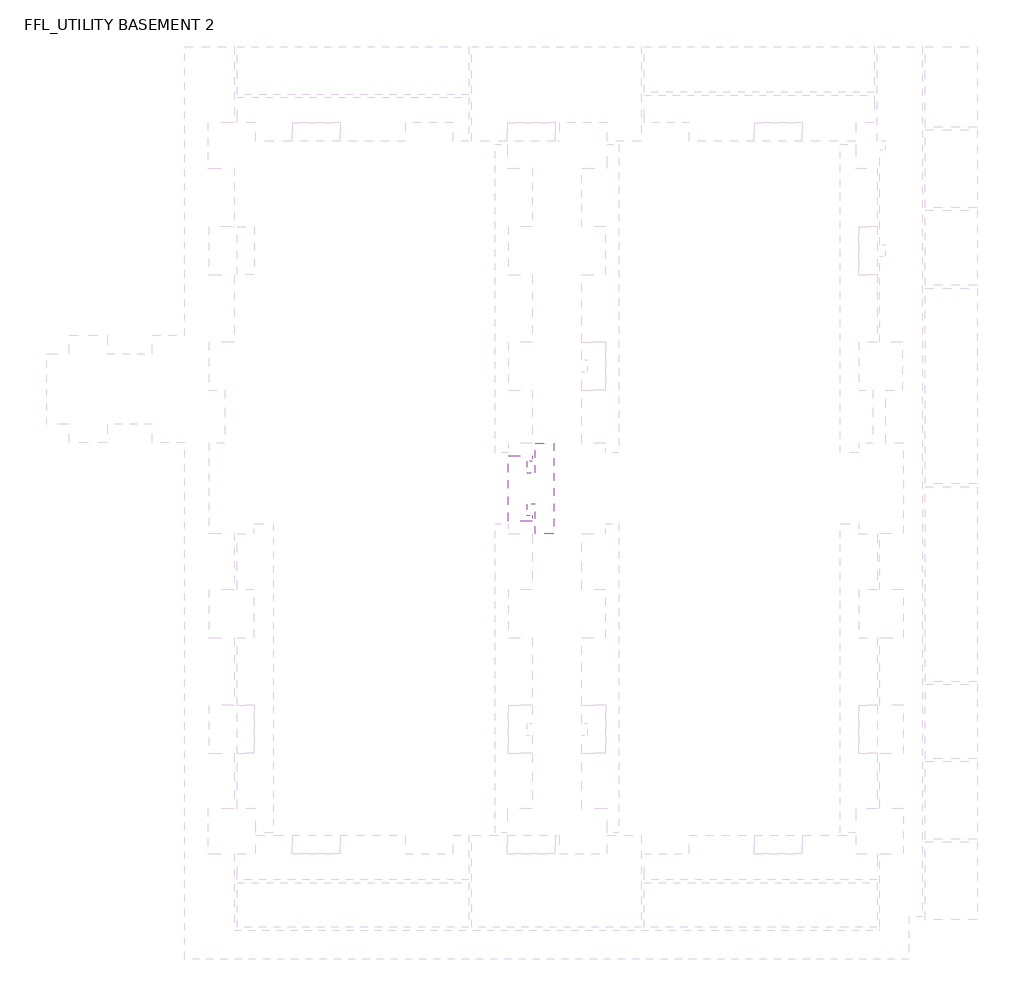
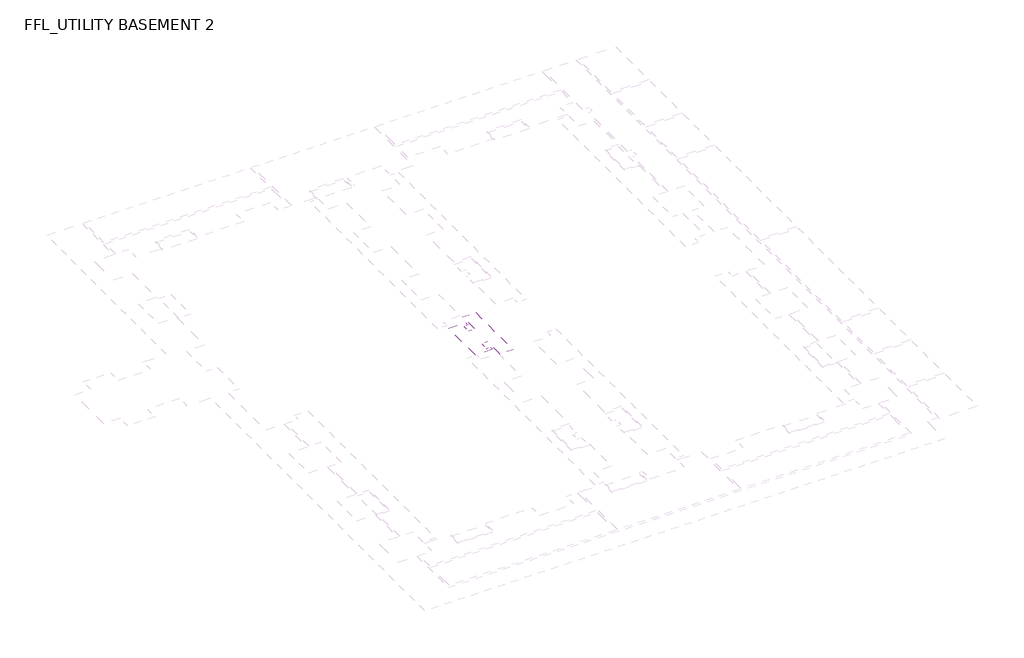
# One storey, part 2 of 3: 1 covering.
"""IFC4 building model written with IfcOpenShell, lengths in millimetres."""

from ifc_helpers import new_model, si_unit, frame, origin, place, context, project, spatial, polyline, outline, extrude, element, save

model = new_model("IFC4")

# Units and contexts
model_context = context("Model", 3, world=origin())
ifc_project = project(units=[si_unit("LENGTHUNIT", "METRE", prefix="MILLI")], contexts=[model_context])

# Site, building, storey
site = spatial("IfcSite", under=ifc_project)
building = spatial("IfcBuilding", under=site)
storey = spatial("IfcBuildingStorey", under=building, Name="FFL_UTILITY BASEMENT 2", Elevation=-10050.0)

# Covering
placement = place(None, origin())
element("IfcCovering", 1, ObjectType="Plaster Paint", at=placement, inside=storey, context=model_context, shape_type="SweptSolid", body=[
    extrude(outline(polyline([(-26305.1920273, -45059.652132), (-25005.1920273, -45059.652132), (-25005.1920273, -45459.652132), (-24505.1920273, -45459.652132), (-24505.1920273, -46759.652132), (-26305.1920273, -46759.652132), (-26305.1920273, -45059.652132)])), frame((0.0, 0.0, -3750.0), z_axis=(0.0, 0.0, 1.0), x_axis=(1.0, 0.0, 0.0)), (0.0, 0.0, 1.0), 20.0),
    extrude(outline(polyline([(-24505.1920273, -50909.652132), (-24505.1920273, -52209.652132), (-24905.1920273, -52209.652132), (-24905.1920273, -53009.652132), (-24505.1920273, -53009.652132), (-24505.1920273, -54309.652132), (-26205.1920273, -54309.652132), (-26205.1920273, -50909.652132), (-24505.1920273, -50909.652132)])), frame((0.0, 0.0, -3750.0), z_axis=(0.0, 0.0, 1.0), x_axis=(1.0, 0.0, 0.0)), (0.0, 0.0, 1.0), 20.0),
    extrude(outline(polyline([(-26205.1920273, -59079.652132), (-24505.1920273, -59079.652132), (-24505.1920273, -60379.652132), (-24905.1920273, -60379.652132), (-24905.1920273, -61179.652132), (-24505.1920273, -61179.652132), (-24505.1920273, -62479.652132), (-26205.1920273, -62479.652132), (-26205.1920273, -59079.652132)])), frame((0.0, 0.0, -3750.0), z_axis=(0.0, 0.0, 1.0), x_axis=(1.0, 0.0, 0.0)), (0.0, 0.0, 1.0), 20.0),
    extrude(outline(polyline([(-26205.1920273, -66229.652132), (-24505.1920273, -66229.652132), (-24505.1920273, -66929.7870746), (-26205.1920273, -66929.7870746), (-26205.1920273, -66229.652132)])), frame((0.0, 0.0, -3750.0), z_axis=(0.0, 0.0, 1.0), x_axis=(1.0, 0.0, 0.0)), (0.0, 0.0, 1.0), 20.0),
    extrude(outline(polyline([(-57305.1920273, -42559.652132), (-57305.1920273, -43859.652132), (-58905.1920273, -43859.652132), (-58905.1920273, -42559.652132), (-57305.1920273, -42559.652132)])), frame((0.0, 0.0, -3750.0), z_axis=(0.0, 0.0, 1.0), x_axis=(1.0, 0.0, 0.0)), (0.0, 0.0, 1.0), 20.0),
    extrude(outline(polyline([(-51405.1920273, -42559.652132), (-51405.1920273, -43719.8706768), (-54605.1920273, -43719.8706768), (-54605.1920273, -42559.652132), (-51405.1920273, -42559.652132)])), frame((0.0, 0.0, -3750.0), z_axis=(0.0, 0.0, 1.0), x_axis=(1.0, 0.0, 0.0)), (0.0, 0.0, 1.0), 20.0),
    extrude(outline(polyline([(-53305.1920273, -44059.652132), (-53305.1920273, -45959.652132), (-54605.1920273, -45959.652132), (-54605.1920273, -44059.652132), (-53305.1920273, -44059.652132)])), frame((0.0, 0.0, -3750.0), z_axis=(0.0, 0.0, 1.0), x_axis=(1.0, 0.0, 0.0)), (0.0, 0.0, 1.0), 20.0),
    extrude(outline(polyline([(-58605.1920273, -44659.652132), (-58605.1920273, -44059.652132), (-57305.1920273, -44059.652132), (-57305.1920273, -45959.652132), (-58905.1920273, -45959.652132), (-58905.1920273, -44659.652132), (-58605.1920273, -44659.652132)])), frame((0.0, 0.0, -3750.0), z_axis=(0.0, 0.0, 1.0), x_axis=(1.0, 0.0, 0.0)), (0.0, 0.0, 1.0), 20.0),
    extrude(outline(polyline([(-53105.1920273, -44659.652132), (-52705.1920273, -44659.652132), (-52705.1920273, -44059.652132), (-51405.1920273, -44059.652132), (-51405.1920273, -45959.652132), (-53105.1920273, -45959.652132), (-53105.1920273, -44659.652132)])), frame((0.0, 0.0, -3750.0), z_axis=(0.0, 0.0, 1.0), x_axis=(1.0, 0.0, 0.0)), (0.0, 0.0, 1.0), 20.0),
    extrude(outline(polyline([(-51405.1920273, -48259.652132), (-51405.1920273, -49559.652132), (-53105.1920273, -49559.652132), (-53105.1920273, -48259.652132), (-51405.1920273, -48259.652132)])), frame((0.0, 0.0, -3750.0), z_axis=(0.0, 0.0, 1.0), x_axis=(1.0, 0.0, 0.0)), (0.0, 0.0, 1.0), 20.0),
    extrude(outline(polyline([(-53305.1920273, -48259.652132), (-53305.1920273, -51659.6521321), (-54605.1920273, -51659.6521321), (-54605.1920273, -48259.652132), (-53305.1920273, -48259.652132)])), frame((0.0, 0.0, -3750.0), z_axis=(0.0, 0.0, 1.0), x_axis=(1.0, 0.0, 0.0)), (0.0, 0.0, 1.0), 20.0),
    extrude(outline(polyline([(-53105.1920273, -50359.652132), (-52705.1920273, -50359.652132), (-52705.1920273, -49759.652132), (-51405.1920273, -49759.652132), (-51405.1920273, -51659.6521321), (-53105.1920273, -51659.6521321), (-53105.1920273, -50359.652132)])), frame((0.0, 0.0, -3750.0), z_axis=(0.0, 0.0, 1.0), x_axis=(1.0, 0.0, 0.0)), (0.0, 0.0, 1.0), 20.0),
    extrude(outline(polyline([(-57305.1920273, -48259.652132), (-57305.1920273, -51659.652132), (-58905.1920273, -51659.652132), (-58905.1920273, -50359.652132), (-58605.1920273, -50359.652132), (-58605.1920273, -49559.652132), (-58905.1920273, -49559.652132), (-58905.1920273, -48259.652132), (-57305.1920273, -48259.652132)])), frame((0.0, 0.0, -3750.0), z_axis=(0.0, 0.0, 1.0), x_axis=(1.0, 0.0, 0.0)), (0.0, 0.0, 1.0), 20.0),
    extrude(outline(polyline([(-54605.1920273, -56509.6534716), (-53305.1920273, -56509.6534716), (-53305.1920273, -58409.652132), (-54605.1920273, -58409.652132), (-54605.1920273, -56509.6534716)])), frame((0.0, 0.0, -3750.0), z_axis=(0.0, 0.0, 1.0), x_axis=(1.0, 0.0, 0.0)), (0.0, 0.0, 1.0), 20.0),
    extrude(outline(polyline([(-51405.1920273, -56509.6534716), (-51405.1920273, -58409.652132), (-52705.1920273, -58409.652132), (-52705.1920273, -57809.652132), (-53105.1920273, -57809.652132), (-53105.1920273, -56509.6534716), (-51405.1920273, -56509.6534716)])), frame((0.0, 0.0, -3750.0), z_axis=(0.0, 0.0, 1.0), x_axis=(1.0, 0.0, 0.0)), (0.0, 0.0, 1.0), 20.0),
    extrude(outline(polyline([(-57305.1920273, -56509.6534716), (-57305.1920273, -58409.652132), (-58605.1920273, -58409.652132), (-58605.1920273, -57809.6534716), (-58905.1920273, -57809.6534716), (-58905.1920273, -56509.6534716), (-57305.1920273, -56509.6534716)])), frame((0.0, 0.0, -3750.0), z_axis=(0.0, 0.0, 1.0), x_axis=(1.0, 0.0, 0.0)), (0.0, 0.0, 1.0), 20.0),
    extrude(outline(polyline([(-57305.1920273, -58609.652132), (-57305.1920273, -59909.6534716), (-58905.1920273, -59909.6534716), (-58905.1920273, -58609.652132), (-57305.1920273, -58609.652132)])), frame((0.0, 0.0, -3750.0), z_axis=(0.0, 0.0, 1.0), x_axis=(1.0, 0.0, 0.0)), (0.0, 0.0, 1.0), 20.0),
    extrude(outline(polyline([(-51405.1920273, -58609.6534716), (-51405.1920273, -59909.6534716), (-54605.1920273, -59909.6534716), (-54605.1920273, -58609.6534716), (-51405.1920273, -58609.6534716)])), frame((0.0, 0.0, -3750.0), z_axis=(0.0, 0.0, 1.0), x_axis=(1.0, 0.0, 0.0)), (0.0, 0.0, 1.0), 20.0),
    extrude(outline(polyline([(-51405.1920273, -64909.6534716), (-51405.1920273, -66209.652132), (-54605.1920273, -66209.652132), (-54605.1920273, -64909.6534716), (-51405.1920273, -64909.6534716)])), frame((0.0, 0.0, -3750.0), z_axis=(0.0, 0.0, 1.0), x_axis=(1.0, 0.0, 0.0)), (0.0, 0.0, 1.0), 20.0),
    extrude(outline(polyline([(-57305.1920273, -64909.6534716), (-57305.1920273, -66209.6534716), (-58905.1920273, -66209.6534716), (-58905.1920273, -64909.6534716), (-57305.1920273, -64909.6534716)])), frame((0.0, 0.0, -3750.0), z_axis=(0.0, 0.0, 1.0), x_axis=(1.0, 0.0, 0.0)), (0.0, 0.0, 1.0), 20.0),
    extrude(outline(polyline([(-51405.1920273, -73359.652132), (-51405.1920273, -76759.652132), (-54605.1920273, -76759.652132), (-54605.1920273, -73359.652132), (-51405.1920273, -73359.652132)]), holes=[polyline([(-52705.1920273, -74659.652132), (-53305.1920273, -74659.652132), (-53305.1920273, -75459.652132), (-52705.1920273, -75459.652132), (-52705.1920273, -74659.652132)])]), frame((0.0, 0.0, -3750.0), z_axis=(0.0, 0.0, 1.0), x_axis=(1.0, 0.0, 0.0)), (0.0, 0.0, 1.0), 20.0),
    extrude(outline(polyline([(-57305.1920273, -66409.652132), (-57305.1920273, -68309.6534716), (-58905.1920273, -68309.6534716), (-58905.1920273, -67009.652132), (-58605.1920273, -67009.652132), (-58605.1920273, -66409.652132), (-57305.1920273, -66409.652132)])), frame((0.0, 0.0, -3750.0), z_axis=(0.0, 0.0, 1.0), x_axis=(1.0, 0.0, 0.0)), (0.0, 0.0, 1.0), 20.0),
    extrude(outline(polyline([(-57305.1920273, -71059.652132), (-57305.1920273, -72359.652132), (-58905.1920273, -72359.652132), (-58905.1920273, -71059.652132), (-57305.1920273, -71059.652132)])), frame((0.0, 0.0, -3750.0), z_axis=(0.0, 0.0, 1.0), x_axis=(1.0, 0.0, 0.0)), (0.0, 0.0, 1.0), 20.0),
    extrude(outline(polyline([(-54605.1920273, -68309.6534716), (-54605.1920273, -66409.652132), (-53305.1920273, -66409.652132), (-53305.1920273, -67009.652132), (-52705.1920273, -67009.652132), (-52705.1920273, -66409.652132), (-51405.1920273, -66409.652132), (-51405.1920273, -68309.6534716), (-54605.1920273, -68309.6534716)])), frame((0.0, 0.0, -3750.0), z_axis=(0.0, 0.0, 1.0), x_axis=(1.0, 0.0, 0.0)), (0.0, 0.0, 1.0), 20.0),
    extrude(outline(polyline([(-58905.1920273, -74459.652132), (-58905.1920273, -73159.652132), (-58605.1920273, -73159.652132), (-58605.1920273, -72559.652132), (-57305.1920273, -72559.652132), (-57305.1920273, -74459.652132), (-58905.1920273, -74459.652132)])), frame((0.0, 0.0, -3750.0), z_axis=(0.0, 0.0, 1.0), x_axis=(1.0, 0.0, 0.0)), (0.0, 0.0, 1.0), 20.0),
    extrude(outline(polyline([(-51405.1920273, -81809.652132), (-51405.1920273, -85209.6521322), (-54605.1920273, -85209.6521322), (-54605.1920273, -81809.652132), (-51405.1920273, -81809.652132)]), holes=[polyline([(-52705.1920273, -83109.652132), (-53305.1920273, -83109.652132), (-53305.1920273, -83909.652132), (-52705.1920273, -83909.652132), (-52705.1920273, -83109.652132)])]), frame((0.0, 0.0, -3750.0), z_axis=(0.0, 0.0, 1.0), x_axis=(1.0, 0.0, 0.0)), (0.0, 0.0, 1.0), 20.0),
    extrude(outline(polyline([(-51405.1920273, -87509.652132), (-51405.1920273, -89409.652132), (-52705.1920273, -89409.652132), (-52705.1920273, -88809.652132), (-53305.1920273, -88809.652132), (-53305.1920273, -89409.652132), (-54605.1920273, -89409.652132), (-54605.1920273, -87509.652132), (-51405.1920273, -87509.652132)])), frame((0.0, 0.0, -3750.0), z_axis=(0.0, 0.0, 1.0), x_axis=(1.0, 0.0, 0.0)), (0.0, 0.0, 1.0), 20.0),
    extrude(outline(polyline([(-51405.1920273, -90909.652132), (-54605.1920273, -90909.652132), (-54605.1920273, -89609.652132), (-51405.1920273, -89609.652132), (-51405.1920273, -90909.652132)])), frame((0.0, 0.0, -3750.0), z_axis=(0.0, 0.0, 1.0), x_axis=(1.0, 0.0, 0.0)), (0.0, 0.0, 1.0), 20.0),
    extrude(outline(polyline([(-51405.1920273, -96659.652132), (-54605.1920273, -96659.652132), (-54605.1920273, -95359.652132), (-51405.1920273, -95359.652132), (-51405.1920273, -96659.652132)])), frame((0.0, 0.0, -3750.0), z_axis=(0.0, 0.0, 1.0), x_axis=(1.0, 0.0, 0.0)), (0.0, 0.0, 1.0), 20.0),
    extrude(outline(polyline([(-51405.1920273, -93259.652132), (-51405.1920273, -95159.652132), (-52705.1920273, -95159.652132), (-52705.1920273, -94559.652132), (-53305.1920273, -94559.652132), (-53305.1920273, -95159.652132), (-54605.1920273, -95159.652132), (-54605.1920273, -93259.652132), (-51405.1920273, -93259.652132)])), frame((0.0, 0.0, -3750.0), z_axis=(0.0, 0.0, 1.0), x_axis=(1.0, 0.0, 0.0)), (0.0, 0.0, 1.0), 20.0),
    extrude(outline(polyline([(-47505.1920273, -43559.652132), (-45605.1920273, -43559.652132), (-45605.1920273, -44859.652132), (-46205.1920273, -44859.652132), (-46205.1920273, -45459.652132), (-45605.1920273, -45459.652132), (-45605.1920273, -46759.652132), (-47505.1920273, -46759.652132), (-47505.1920273, -43559.652132)])), frame((0.0, 0.0, -3750.0), z_axis=(0.0, 0.0, 1.0), x_axis=(1.0, 0.0, 0.0)), (0.0, 0.0, 1.0), 20.0),
    extrude(outline(polyline([(-47405.1920273, -50909.652132), (-45605.1920273, -50909.652132), (-45605.1920273, -52209.652132), (-46105.1920273, -52209.652132), (-46105.1920273, -53009.652132), (-45605.1920273, -53009.652132), (-45605.1920273, -54309.652132), (-47405.1920273, -54309.652132), (-47405.1920273, -50909.652132)])), frame((0.0, 0.0, -3750.0), z_axis=(0.0, 0.0, 1.0), x_axis=(1.0, 0.0, 0.0)), (0.0, 0.0, 1.0), 20.0),
    extrude(outline(polyline([(-47405.1920273, -59079.652132), (-45605.1920273, -59079.652132), (-45605.1920273, -60379.652132), (-46305.1920273, -60379.652132), (-46305.1920273, -62479.652132), (-47405.1920273, -62479.652132), (-47405.1920273, -59079.652132)])), frame((0.0, 0.0, -3750.0), z_axis=(0.0, 0.0, 1.0), x_axis=(1.0, 0.0, 0.0)), (0.0, 0.0, 1.0), 20.0),
    extrude(outline(polyline([(-47405.1920273, -72649.652132), (-47405.1920273, -66229.652132), (-46305.1920273, -66229.652132), (-46305.1920273, -68329.652132), (-45155.1920273, -68329.652132), (-45155.1920273, -67129.7870746), (-44205.1920273, -67129.7870746), (-44205.1920273, -71749.7870746), (-45405.1920273, -71749.7870746), (-45405.1920273, -70549.7870746), (-46105.1920273, -70549.7870746), (-46105.1920273, -71349.652132), (-45605.1920273, -71349.652132), (-45605.1920273, -72649.652132), (-47405.1920273, -72649.652132)])), frame((0.0, 0.0, -3750.0), z_axis=(0.0, 0.0, 1.0), x_axis=(1.0, 0.0, 0.0)), (0.0, 0.0, 1.0), 20.0),
    extrude(outline(polyline([(-38105.1920273, -68329.652132), (-38105.1920273, -70549.652132), (-41505.1920273, -70549.652132), (-41505.1920273, -68329.652132), (-38105.1920273, -68329.652132)])), frame((0.0, 0.0, -3750.0), z_axis=(0.0, 0.0, 1.0), x_axis=(1.0, 0.0, 0.0)), (0.0, 0.0, 1.0), 20.0),
    extrude(outline(polyline([(-47405.1920273, -76609.652132), (-45605.1920273, -76609.652132), (-45605.1920273, -77909.652132), (-46105.1920273, -77909.652132), (-46105.1920273, -78709.652132), (-45605.1920273, -78709.652132), (-45605.1920273, -80009.652132), (-47405.1920273, -80009.652132), (-47405.1920273, -76609.652132)])), frame((0.0, 0.0, -3750.0), z_axis=(0.0, 0.0, 1.0), x_axis=(1.0, 0.0, 0.0)), (0.0, 0.0, 1.0), 20.0),
    extrude(outline(polyline([(-47405.1920273, -84799.652132), (-45605.1920273, -84799.652132), (-45605.1920273, -86099.652132), (-46105.1920273, -86099.652132), (-46105.1920273, -86899.652132), (-45605.1920273, -86899.652132), (-45605.1920273, -88199.652132), (-47405.1920273, -88199.652132), (-47405.1920273, -84799.652132)])), frame((0.0, 0.0, -3750.0), z_axis=(0.0, 0.0, 1.0), x_axis=(1.0, 0.0, 0.0)), (0.0, 0.0, 1.0), 20.0),
    extrude(outline(polyline([(-47505.1920273, -92109.652132), (-45605.1920273, -92109.652132), (-45605.1920273, -93409.652132), (-46205.1920273, -93409.652132), (-46205.1920273, -94009.652132), (-45605.1920273, -94009.652132), (-45605.1920273, -95309.652132), (-47505.1920273, -95309.652132), (-47505.1920273, -92109.652132)])), frame((0.0, 0.0, -3750.0), z_axis=(0.0, 0.0, 1.0), x_axis=(1.0, 0.0, 0.0)), (0.0, 0.0, 1.0), 20.0),
    extrude(outline(polyline([(-38105.1920273, -92109.652132), (-38105.1920273, -93809.652132), (-39405.1920273, -93809.652132), (-39405.1920273, -93409.652132), (-40205.1920273, -93409.652132), (-40205.1920273, -93809.652132), (-41505.1920273, -93809.652132), (-41505.1920273, -92109.652132), (-38105.1920273, -92109.652132)])), frame((0.0, 0.0, -3750.0), z_axis=(0.0, 0.0, 1.0), x_axis=(1.0, 0.0, 0.0)), (0.0, 0.0, 1.0), 20.0),
    extrude(outline(polyline([(-30105.1920273, -92109.652132), (-30105.1920273, -93809.652132), (-31405.1920273, -93809.652132), (-31405.1920273, -93409.652132), (-32205.1920273, -93409.652132), (-32205.1920273, -93809.652132), (-33505.1920273, -93809.652132), (-33505.1920273, -92109.652132), (-30105.1920273, -92109.652132)])), frame((0.0, 0.0, -3750.0), z_axis=(0.0, 0.0, 1.0), x_axis=(1.0, 0.0, 0.0)), (0.0, 0.0, 1.0), 20.0),
    extrude(outline(polyline([(-38105.1920273, -72449.652132), (-41505.1920273, -72449.652132), (-41505.1920273, -70749.652132), (-40205.1920273, -70749.652132), (-40205.1920273, -71149.652132), (-39405.1920273, -71149.652132), (-39405.1920273, -70749.652132), (-38105.1920273, -70749.652132), (-38105.1920273, -72449.652132)])), frame((0.0, 0.0, -3750.0), z_axis=(0.0, 0.0, 1.0), x_axis=(1.0, 0.0, 0.0)), (0.0, 0.0, 1.0), 20.0),
    extrude(outline(polyline([(-30105.1920273, -72449.652132), (-33505.1920273, -72449.652132), (-33505.1920273, -70749.652132), (-32205.1920273, -70749.652132), (-32205.1920273, -71149.652132), (-31405.1920273, -71149.652132), (-31405.1920273, -70749.652132), (-30105.1920273, -70749.652132), (-30105.1920273, -72449.652132)])), frame((0.0, 0.0, -3750.0), z_axis=(0.0, 0.0, 1.0), x_axis=(1.0, 0.0, 0.0)), (0.0, 0.0, 1.0), 20.0),
    extrude(outline(polyline([(-38105.1920273, -76709.652132), (-38105.1920273, -79909.652132), (-41505.1920273, -79909.652132), (-41505.1920273, -76709.652132), (-38105.1920273, -76709.652132)]), holes=[polyline([(-39405.1920273, -78009.652132), (-40205.1920273, -78009.652132), (-40205.1920273, -78609.652132), (-39405.1920273, -78609.652132), (-39405.1920273, -78009.652132)])]), frame((0.0, 0.0, -3750.0), z_axis=(0.0, 0.0, 1.0), x_axis=(1.0, 0.0, 0.0)), (0.0, 0.0, 1.0), 20.0),
    extrude(outline(polyline([(-38105.1920273, -84899.652132), (-38105.1920273, -88099.652132), (-41505.1920273, -88099.652132), (-41505.1920273, -84899.652132), (-38105.1920273, -84899.652132)]), holes=[polyline([(-39405.1920273, -86199.652132), (-40205.1920273, -86199.652132), (-40205.1920273, -86799.652132), (-39405.1920273, -86799.652132), (-39405.1920273, -86199.652132)])]), frame((0.0, 0.0, -3750.0), z_axis=(0.0, 0.0, 1.0), x_axis=(1.0, 0.0, 0.0)), (0.0, 0.0, 1.0), 20.0),
    extrude(outline(polyline([(-30105.1920273, -84899.652132), (-30105.1920273, -88099.652132), (-33505.1920273, -88099.652132), (-33505.1920273, -84899.652132), (-30105.1920273, -84899.652132)]), holes=[polyline([(-31405.1920273, -86199.652132), (-32205.1920273, -86199.652132), (-32205.1920273, -86799.652132), (-31405.1920273, -86799.652132), (-31405.1920273, -86199.652132)])]), frame((0.0, 0.0, -3750.0), z_axis=(0.0, 0.0, 1.0), x_axis=(1.0, 0.0, 0.0)), (0.0, 0.0, 1.0), 20.0),
    extrude(outline(polyline([(-30105.1920273, -76709.652132), (-30105.1920273, -79909.652132), (-33505.1920273, -79909.652132), (-33505.1920273, -76709.652132), (-30105.1920273, -76709.652132)]), holes=[polyline([(-31405.1920273, -78009.652132), (-32205.1920273, -78009.652132), (-32205.1920273, -78609.652132), (-31405.1920273, -78609.652132), (-31405.1920273, -78009.652132)])]), frame((0.0, 0.0, -3750.0), z_axis=(0.0, 0.0, 1.0), x_axis=(1.0, 0.0, 0.0)), (0.0, 0.0, 1.0), 20.0),
    extrude(outline(polyline([(-38105.1920273, -66429.652132), (-38105.1920273, -68129.652132), (-39405.1920273, -68129.652132), (-39405.1920273, -67729.652132), (-40205.1920273, -67729.652132), (-40205.1920273, -68129.652132), (-41505.1920273, -68129.652132), (-41505.1920273, -66429.652132), (-38105.1920273, -66429.652132)])), frame((0.0, 0.0, -3750.0), z_axis=(0.0, 0.0, 1.0), x_axis=(1.0, 0.0, 0.0)), (0.0, 0.0, 1.0), 20.0),
    extrude(outline(polyline([(-30105.1920273, -66429.652132), (-30105.1920273, -68129.652132), (-31405.1920273, -68129.652132), (-31405.1920273, -67729.652132), (-32205.1920273, -67729.652132), (-32205.1920273, -68129.652132), (-33505.1920273, -68129.652132), (-33505.1920273, -66429.652132), (-30105.1920273, -66429.652132)])), frame((0.0, 0.0, -3750.0), z_axis=(0.0, 0.0, 1.0), x_axis=(1.0, 0.0, 0.0)), (0.0, 0.0, 1.0), 20.0),
    extrude(outline(polyline([(-38105.1920273, -46759.652132), (-41505.1920273, -46759.652132), (-41505.1920273, -45059.652132), (-40205.1920273, -45059.652132), (-40205.1920273, -45459.652132), (-39405.1920273, -45459.652132), (-39405.1920273, -45059.652132), (-38105.1920273, -45059.652132), (-38105.1920273, -46759.652132)])), frame((0.0, 0.0, -3750.0), z_axis=(0.0, 0.0, 1.0), x_axis=(1.0, 0.0, 0.0)), (0.0, 0.0, 1.0), 20.0),
    extrude(outline(polyline([(-30105.1920273, -46759.652132), (-33505.1920273, -46759.652132), (-33505.1920273, -45059.652132), (-32205.1920273, -45059.652132), (-32205.1920273, -45459.652132), (-31405.1920273, -45459.652132), (-31405.1920273, -45059.652132), (-30105.1920273, -45059.652132), (-30105.1920273, -46759.652132)])), frame((0.0, 0.0, -3750.0), z_axis=(0.0, 0.0, 1.0), x_axis=(1.0, 0.0, 0.0)), (0.0, 0.0, 1.0), 20.0),
    extrude(outline(polyline([(-38105.1920273, -51109.652132), (-38105.1920273, -54309.652132), (-41505.1920273, -54309.652132), (-41505.1920273, -51109.652132), (-38105.1920273, -51109.652132)]), holes=[polyline([(-39405.1920273, -52409.652132), (-40205.1920273, -52409.652132), (-40205.1920273, -53009.652132), (-39405.1920273, -53009.652132), (-39405.1920273, -52409.652132)])]), frame((0.0, 0.0, -3750.0), z_axis=(0.0, 0.0, 1.0), x_axis=(1.0, 0.0, 0.0)), (0.0, 0.0, 1.0), 20.0),
    extrude(outline(polyline([(-38105.1920273, -59179.652132), (-38105.1920273, -62379.652132), (-41505.1920273, -62379.652132), (-41505.1920273, -59179.652132), (-38105.1920273, -59179.652132)]), holes=[polyline([(-39405.1920273, -60479.652132), (-40205.1920273, -60479.652132), (-40205.1920273, -61079.652132), (-39405.1920273, -61079.652132), (-39405.1920273, -60479.652132)])]), frame((0.0, 0.0, -3750.0), z_axis=(0.0, 0.0, 1.0), x_axis=(1.0, 0.0, 0.0)), (0.0, 0.0, 1.0), 20.0),
    extrude(outline(polyline([(-30105.1920273, -59179.652132), (-30105.1920273, -62379.652132), (-33505.1920273, -62379.652132), (-33505.1920273, -59179.652132), (-30105.1920273, -59179.652132)]), holes=[polyline([(-31405.1920273, -60479.652132), (-32205.1920273, -60479.652132), (-32205.1920273, -61079.652132), (-31405.1920273, -61079.652132), (-31405.1920273, -60479.652132)])]), frame((0.0, 0.0, -3750.0), z_axis=(0.0, 0.0, 1.0), x_axis=(1.0, 0.0, 0.0)), (0.0, 0.0, 1.0), 20.0),
    extrude(outline(polyline([(-30105.1920273, -51109.652132), (-30105.1920273, -54309.652132), (-33505.1920273, -54309.652132), (-33505.1920273, -51109.652132), (-30105.1920273, -51109.652132)]), holes=[polyline([(-31405.1920273, -52409.652132), (-32205.1920273, -52409.652132), (-32205.1920273, -53009.652132), (-31405.1920273, -53009.652132), (-31405.1920273, -52409.652132)])]), frame((0.0, 0.0, -3750.0), z_axis=(0.0, 0.0, 1.0), x_axis=(1.0, 0.0, 0.0)), (0.0, 0.0, 1.0), 20.0),
    extrude(outline(polyline([(-24305.1920273, -46759.652132), (-24305.1920273, -45459.652132), (-24205.1920273, -45459.652132), (-24205.1920273, -45059.652132), (-22905.1920273, -45059.652132), (-22905.1920273, -46759.652132), (-24305.1920273, -46759.652132)])), frame((0.0, 0.0, -3750.0), z_axis=(0.0, 0.0, 1.0), x_axis=(1.0, 0.0, 0.0)), (0.0, 0.0, 1.0), 20.0),
    extrude(outline(polyline([(-21205.1920273, -46759.652132), (-22605.1920273, -46759.652132), (-22605.1920273, -45059.652132), (-21305.1920273, -45059.652132), (-21305.1920273, -45459.652132), (-21205.1920273, -45459.652132), (-21205.1920273, -46759.652132)])), frame((0.0, 0.0, -3750.0), z_axis=(0.0, 0.0, 1.0), x_axis=(1.0, 0.0, 0.0)), (0.0, 0.0, 1.0), 20.0),
    extrude(outline(polyline([(-24305.1920273, -50909.652132), (-23005.1920273, -50909.652132), (-23005.1920273, -54309.652132), (-24305.1920273, -54309.652132), (-24305.1920273, -50909.652132)])), frame((0.0, 0.0, -3750.0), z_axis=(0.0, 0.0, 1.0), x_axis=(1.0, 0.0, 0.0)), (0.0, 0.0, 1.0), 20.0),
    extrude(outline(polyline([(-21205.1920273, -50909.652132), (-21205.1920273, -54309.652132), (-22505.1920273, -54309.652132), (-22505.1920273, -50909.652132), (-21205.1920273, -50909.652132)])), frame((0.0, 0.0, -3750.0), z_axis=(0.0, 0.0, 1.0), x_axis=(1.0, 0.0, 0.0)), (0.0, 0.0, 1.0), 20.0),
    extrude(outline(polyline([(-21205.1920273, -59079.652132), (-21205.1920273, -62479.652132), (-22505.1920273, -62479.652132), (-22505.1920273, -59079.652132), (-21205.1920273, -59079.652132)])), frame((0.0, 0.0, -3750.0), z_axis=(0.0, 0.0, 1.0), x_axis=(1.0, 0.0, 0.0)), (0.0, 0.0, 1.0), 20.0),
    extrude(outline(polyline([(-24305.1920273, -59079.652132), (-23005.1920273, -59079.652132), (-23005.1920273, -62479.652132), (-24305.1920273, -62479.652132), (-24305.1920273, -59079.652132)])), frame((0.0, 0.0, -3750.0), z_axis=(0.0, 0.0, 1.0), x_axis=(1.0, 0.0, 0.0)), (0.0, 0.0, 1.0), 20.0),
    extrude(outline(polyline([(-33505.1920273, -68329.652132), (-30105.1920273, -68329.652132), (-30105.1920273, -70549.652132), (-33505.1920273, -70549.652132), (-33505.1920273, -68329.652132)])), frame((0.0, 0.0, -3750.0), z_axis=(0.0, 0.0, 1.0), x_axis=(1.0, 0.0, 0.0)), (0.0, 0.0, 1.0), 20.0),
    extrude(outline(polyline([(-13405.1920273, -66429.652132), (-13405.1920273, -68129.652132), (-14705.1920273, -68129.652132), (-14705.1920273, -67729.652132), (-15505.1920273, -67729.652132), (-15505.1920273, -68129.652132), (-16805.1920273, -68129.652132), (-16805.1920273, -66429.652132), (-13405.1920273, -66429.652132)])), frame((0.0, 0.0, -3750.0), z_axis=(0.0, 0.0, 1.0), x_axis=(1.0, 0.0, 0.0)), (0.0, 0.0, 1.0), 20.0),
    extrude(outline(polyline([(-5405.1920273, -66429.652132), (-5405.1920273, -68129.652132), (-6705.1920273, -68129.652132), (-6705.1920273, -67729.652132), (-7505.1920273, -67729.652132), (-7505.1920273, -68129.652132), (-8805.1920273, -68129.652132), (-8805.1920273, -66429.652132), (-5405.1920273, -66429.652132)])), frame((0.0, 0.0, -3750.0), z_axis=(0.0, 0.0, 1.0), x_axis=(1.0, 0.0, 0.0)), (0.0, 0.0, 1.0), 20.0),
    extrude(outline(polyline([(-13405.1920273, -46759.652132), (-16805.1920273, -46759.652132), (-16805.1920273, -45059.652132), (-15505.1920273, -45059.652132), (-15505.1920273, -45459.652132), (-14705.1920273, -45459.652132), (-14705.1920273, -45059.652132), (-13405.1920273, -45059.652132), (-13405.1920273, -46759.652132)])), frame((0.0, 0.0, -3750.0), z_axis=(0.0, 0.0, 1.0), x_axis=(1.0, 0.0, 0.0)), (0.0, 0.0, 1.0), 20.0),
    extrude(outline(polyline([(-5405.1920273, -46759.652132), (-8805.1920273, -46759.652132), (-8805.1920273, -45059.652132), (-7505.1920273, -45059.652132), (-7505.1920273, -45459.652132), (-6705.1920273, -45459.652132), (-6705.1920273, -45059.652132), (-5405.1920273, -45059.652132), (-5405.1920273, -46759.652132)])), frame((0.0, 0.0, -3750.0), z_axis=(0.0, 0.0, 1.0), x_axis=(1.0, 0.0, 0.0)), (0.0, 0.0, 1.0), 20.0),
    extrude(outline(polyline([(-13405.1920273, -51109.652132), (-13405.1920273, -54309.652132), (-16805.1920273, -54309.652132), (-16805.1920273, -51109.652132), (-13405.1920273, -51109.652132)]), holes=[polyline([(-14705.1920273, -52409.652132), (-15505.1920273, -52409.652132), (-15505.1920273, -53009.652132), (-14705.1920273, -53009.652132), (-14705.1920273, -52409.652132)])]), frame((0.0, 0.0, -3750.0), z_axis=(0.0, 0.0, 1.0), x_axis=(1.0, 0.0, 0.0)), (0.0, 0.0, 1.0), 20.0),
    extrude(outline(polyline([(-13405.1920273, -59179.652132), (-13405.1920273, -62379.652132), (-16805.1920273, -62379.652132), (-16805.1920273, -59179.652132), (-13405.1920273, -59179.652132)]), holes=[polyline([(-14705.1920273, -60479.652132), (-15505.1920273, -60479.652132), (-15505.1920273, -61079.652132), (-14705.1920273, -61079.652132), (-14705.1920273, -60479.652132)])]), frame((0.0, 0.0, -3750.0), z_axis=(0.0, 0.0, 1.0), x_axis=(1.0, 0.0, 0.0)), (0.0, 0.0, 1.0), 20.0),
    extrude(outline(polyline([(-5405.1920273, -59179.652132), (-5405.1920273, -62379.652132), (-8805.1920273, -62379.652132), (-8805.1920273, -59179.652132), (-5405.1920273, -59179.652132)]), holes=[polyline([(-6705.1920273, -60479.652132), (-7505.1920273, -60479.652132), (-7505.1920273, -61079.652132), (-6705.1920273, -61079.652132), (-6705.1920273, -60479.652132)])]), frame((0.0, 0.0, -3750.0), z_axis=(0.0, 0.0, 1.0), x_axis=(1.0, 0.0, 0.0)), (0.0, 0.0, 1.0), 20.0),
    extrude(outline(polyline([(-5405.1920273, -51109.652132), (-5405.1920273, -54309.652132), (-8805.1920273, -54309.652132), (-8805.1920273, -51109.652132), (-5405.1920273, -51109.652132)]), holes=[polyline([(-6705.1920273, -52409.652132), (-7505.1920273, -52409.652132), (-7505.1920273, -53009.652132), (-6705.1920273, -53009.652132), (-6705.1920273, -52409.652132)])]), frame((0.0, 0.0, -3750.0), z_axis=(0.0, 0.0, 1.0), x_axis=(1.0, 0.0, 0.0)), (0.0, 0.0, 1.0), 20.0),
    extrude(outline(polyline([(-13405.1920273, -92109.652132), (-13405.1920273, -93809.652132), (-14705.1920273, -93809.652132), (-14705.1920273, -93409.652132), (-15505.1920273, -93409.652132), (-15505.1920273, -93809.652132), (-16805.1920273, -93809.652132), (-16805.1920273, -92109.652132), (-13405.1920273, -92109.652132)])), frame((0.0, 0.0, -3750.0), z_axis=(0.0, 0.0, 1.0), x_axis=(1.0, 0.0, 0.0)), (0.0, 0.0, 1.0), 20.0),
    extrude(outline(polyline([(-5405.1920273, -92109.652132), (-5405.1920273, -93809.652132), (-6705.1920273, -93809.652132), (-6705.1920273, -93409.652132), (-7505.1920273, -93409.652132), (-7505.1920273, -93809.652132), (-8805.1920273, -93809.652132), (-8805.1920273, -92109.652132), (-5405.1920273, -92109.652132)])), frame((0.0, 0.0, -3750.0), z_axis=(0.0, 0.0, 1.0), x_axis=(1.0, 0.0, 0.0)), (0.0, 0.0, 1.0), 20.0),
    extrude(outline(polyline([(-13405.1920273, -72449.652132), (-16805.1920273, -72449.652132), (-16805.1920273, -70749.652132), (-15505.1920273, -70749.652132), (-15505.1920273, -71149.652132), (-14705.1920273, -71149.652132), (-14705.1920273, -70749.652132), (-13405.1920273, -70749.652132), (-13405.1920273, -72449.652132)])), frame((0.0, 0.0, -3750.0), z_axis=(0.0, 0.0, 1.0), x_axis=(1.0, 0.0, 0.0)), (0.0, 0.0, 1.0), 20.0),
    extrude(outline(polyline([(-5405.1920273, -72449.652132), (-8805.1920273, -72449.652132), (-8805.1920273, -70749.652132), (-7505.1920273, -70749.652132), (-7505.1920273, -71149.652132), (-6705.1920273, -71149.652132), (-6705.1920273, -70749.652132), (-5405.1920273, -70749.652132), (-5405.1920273, -72449.652132)])), frame((0.0, 0.0, -3750.0), z_axis=(0.0, 0.0, 1.0), x_axis=(1.0, 0.0, 0.0)), (0.0, 0.0, 1.0), 20.0),
    extrude(outline(polyline([(-13405.1920273, -76709.652132), (-13405.1920273, -79909.652132), (-16805.1920273, -79909.652132), (-16805.1920273, -76709.652132), (-13405.1920273, -76709.652132)]), holes=[polyline([(-14705.1920273, -78009.652132), (-15505.1920273, -78009.652132), (-15505.1920273, -78609.652132), (-14705.1920273, -78609.652132), (-14705.1920273, -78009.652132)])]), frame((0.0, 0.0, -3750.0), z_axis=(0.0, 0.0, 1.0), x_axis=(1.0, 0.0, 0.0)), (0.0, 0.0, 1.0), 20.0),
    extrude(outline(polyline([(-13405.1920273, -84899.652132), (-13405.1920273, -88099.652132), (-16805.1920273, -88099.652132), (-16805.1920273, -84899.652132), (-13405.1920273, -84899.652132)]), holes=[polyline([(-14705.1920273, -86199.652132), (-15505.1920273, -86199.652132), (-15505.1920273, -86799.652132), (-14705.1920273, -86799.652132), (-14705.1920273, -86199.652132)])]), frame((0.0, 0.0, -3750.0), z_axis=(0.0, 0.0, 1.0), x_axis=(1.0, 0.0, 0.0)), (0.0, 0.0, 1.0), 20.0),
    extrude(outline(polyline([(-5405.1920273, -84899.652132), (-5405.1920273, -88099.652132), (-8805.1920273, -88099.652132), (-8805.1920273, -84899.652132), (-5405.1920273, -84899.652132)]), holes=[polyline([(-6705.1920273, -86199.652132), (-7505.1920273, -86199.652132), (-7505.1920273, -86799.652132), (-6705.1920273, -86799.652132), (-6705.1920273, -86199.652132)])]), frame((0.0, 0.0, -3750.0), z_axis=(0.0, 0.0, 1.0), x_axis=(1.0, 0.0, 0.0)), (0.0, 0.0, 1.0), 20.0),
    extrude(outline(polyline([(-5405.1920273, -76709.652132), (-5405.1920273, -79909.652132), (-8805.1920273, -79909.652132), (-8805.1920273, -76709.652132), (-5405.1920273, -76709.652132)]), holes=[polyline([(-6705.1920273, -78009.652132), (-7505.1920273, -78009.652132), (-7505.1920273, -78609.652132), (-6705.1920273, -78609.652132), (-6705.1920273, -78009.652132)])]), frame((0.0, 0.0, -3750.0), z_axis=(0.0, 0.0, 1.0), x_axis=(1.0, 0.0, 0.0)), (0.0, 0.0, 1.0), 20.0),
    extrude(outline(polyline([(-24305.1920273, -76609.652132), (-23005.1920273, -76609.652132), (-23005.1920273, -80000.1209928), (-24305.1920273, -80000.1209928), (-24305.1920273, -76609.652132)])), frame((0.0, 0.0, -3750.0), z_axis=(0.0, 0.0, 1.0), x_axis=(1.0, 0.0, 0.0)), (0.0, 0.0, 1.0), 20.0),
    extrude(outline(polyline([(-21205.1920273, -76609.652132), (-21205.1920273, -80000.1209928), (-22505.1920273, -80000.1209928), (-22505.1920273, -76609.652132), (-21205.1920273, -76609.652132)])), frame((0.0, 0.0, -3750.0), z_axis=(0.0, 0.0, 1.0), x_axis=(1.0, 0.0, 0.0)), (0.0, 0.0, 1.0), 20.0),
    extrude(outline(polyline([(-24305.1920273, -68329.652132), (-24305.1920273, -66229.652132), (-23005.1920273, -66229.652132), (-23005.1920273, -72649.652132), (-24305.1920273, -72649.652132), (-24305.1920273, -70549.652132), (-24905.1920273, -70549.652132), (-24905.1920273, -71349.652132), (-24505.1920273, -71349.652132), (-24505.1920273, -71749.7870746), (-26205.1920273, -71749.7870746), (-26205.1920273, -67129.7870746), (-24505.1920273, -67129.7870746), (-24505.1920273, -67529.652132), (-24905.1920273, -67529.652132), (-24905.1920273, -68329.652132), (-24305.1920273, -68329.652132)])), frame((0.0, 0.0, -3750.0), z_axis=(0.0, 0.0, 1.0), x_axis=(1.0, 0.0, 0.0)), (0.0, 0.0, 1.0), 20.0),
    extrude(outline(polyline([(-22505.1920273, -66229.652132), (-21205.1920273, -66229.652132), (-21205.1920273, -68329.652132), (-20605.1920273, -68329.652132), (-20605.1920273, -67529.652132), (-21005.1920273, -67529.652132), (-21005.1920273, -67129.7870746), (-19305.1920273, -67129.7870746), (-19305.1920273, -71749.7870746), (-21005.1920273, -71749.7870746), (-21005.1920273, -71349.652132), (-20605.1920273, -71349.652132), (-20605.1920273, -70549.652132), (-21205.1920273, -70549.652132), (-21205.1920273, -72649.652132), (-22505.1920273, -72649.652132), (-22505.1920273, -66229.652132)])), frame((0.0, 0.0, -3750.0), z_axis=(0.0, 0.0, 1.0), x_axis=(1.0, 0.0, 0.0)), (0.0, 0.0, 1.0), 20.0),
    extrude(outline(polyline([(-13405.1920273, -68329.652132), (-13405.1920273, -70549.652132), (-16805.1920273, -70549.652132), (-16805.1920273, -68329.652132), (-13405.1920273, -68329.652132)])), frame((0.0, 0.0, -3750.0), z_axis=(0.0, 0.0, 1.0), x_axis=(1.0, 0.0, 0.0)), (0.0, 0.0, 1.0), 20.0),
    extrude(outline(polyline([(-5405.1920273, -68329.652132), (-5405.1920273, -70549.652132), (-8805.1920273, -70549.652132), (-8805.1920273, -68329.652132), (-5405.1920273, -68329.652132)])), frame((0.0, 0.0, -3750.0), z_axis=(0.0, 0.0, 1.0), x_axis=(1.0, 0.0, 0.0)), (0.0, 0.0, 1.0), 20.0),
    extrude(outline(polyline([(1794.8079727, -43559.652132), (1794.8079727, -46759.652132), (94.8079727, -46759.652132), (94.8079727, -45459.652132), (494.8079727, -45459.652132), (494.8079727, -44859.652132), (-105.1920273, -44859.652132), (-105.1920273, -43559.652132), (1794.8079727, -43559.652132)])), frame((0.0, 0.0, -3750.0), z_axis=(0.0, 0.0, 1.0), x_axis=(1.0, 0.0, 0.0)), (0.0, 0.0, 1.0), 20.0),
    extrude(outline(polyline([(1794.8079727, -50909.652132), (1794.8079727, -54309.652132), (94.8079727, -54309.652132), (94.8079727, -53009.652132), (494.8079727, -53009.652132), (494.8079727, -52209.652132), (94.8079727, -52209.652132), (94.8079727, -50909.652132), (1794.8079727, -50909.652132)])), frame((0.0, 0.0, -3750.0), z_axis=(0.0, 0.0, 1.0), x_axis=(1.0, 0.0, 0.0)), (0.0, 0.0, 1.0), 20.0),
    extrude(outline(polyline([(494.8079727, -68329.652132), (494.8079727, -66229.652132), (1794.8079727, -66229.652132), (1794.8079727, -72649.652132), (94.8079727, -72649.652132), (94.8079727, -71349.652132), (494.8079727, -71349.652132), (494.8079727, -70549.652132), (-105.1920273, -70549.652132), (-105.1920273, -71749.7870746), (-1405.1920273, -71749.7870746), (-1405.1920273, -67129.7870746), (-405.1920273, -67129.7870746), (-405.1920273, -68329.652132), (494.8079727, -68329.652132)])), frame((0.0, 0.0, -3750.0), z_axis=(0.0, 0.0, 1.0), x_axis=(1.0, 0.0, 0.0)), (0.0, 0.0, 1.0), 20.0),
    extrude(outline(polyline([(94.8079727, -60379.652132), (94.8079727, -59079.652132), (1794.8079727, -59079.652132), (1794.8079727, -62479.652132), (494.8079727, -62479.652132), (494.8079727, -60379.652132), (94.8079727, -60379.652132)])), frame((0.0, 0.0, -3750.0), z_axis=(0.0, 0.0, 1.0), x_axis=(1.0, 0.0, 0.0)), (0.0, 0.0, 1.0), 20.0),
    extrude(outline(polyline([(1794.8079727, -76604.652132), (1794.8079727, -80004.652132), (94.8079727, -80004.652132), (94.8079727, -78704.652132), (494.8079727, -78704.652132), (494.8079727, -77904.652132), (94.8079727, -77904.652132), (94.8079727, -76604.652132), (1794.8079727, -76604.652132)])), frame((0.0, 0.0, -3750.0), z_axis=(0.0, 0.0, 1.0), x_axis=(1.0, 0.0, 0.0)), (0.0, 0.0, 1.0), 20.0),
    extrude(outline(polyline([(1794.8079727, -84799.652132), (1794.8079727, -88199.652132), (94.8079727, -88199.652132), (94.8079727, -86899.652132), (494.8079727, -86899.652132), (494.8079727, -86099.652132), (94.8079727, -86099.652132), (94.8079727, -84799.652132), (1794.8079727, -84799.652132)])), frame((0.0, 0.0, -3750.0), z_axis=(0.0, 0.0, 1.0), x_axis=(1.0, 0.0, 0.0)), (0.0, 0.0, 1.0), 20.0),
    extrude(outline(polyline([(1794.8079727, -92109.652132), (1794.8079727, -95309.652132), (94.8079727, -95309.652132), (94.8079727, -94009.652132), (494.8079727, -94009.652132), (494.8079727, -93409.652132), (94.8079727, -93409.652132), (94.8079727, -92109.652132), (1794.8079727, -92109.652132)])), frame((0.0, 0.0, -3750.0), z_axis=(0.0, 0.0, 1.0), x_axis=(1.0, 0.0, 0.0)), (0.0, 0.0, 1.0), 20.0),
    extrude(outline(polyline([(-21205.1920273, -84799.652132), (-21205.1920273, -88199.652132), (-22505.1920273, -88199.652132), (-22505.1920273, -84799.652132), (-21205.1920273, -84799.652132)])), frame((0.0, 0.0, -3750.0), z_axis=(0.0, 0.0, 1.0), x_axis=(1.0, 0.0, 0.0)), (0.0, 0.0, 1.0), 20.0),
    extrude(outline(polyline([(-24305.1920273, -88199.652132), (-24305.1920273, -84799.652132), (-23005.1920273, -84799.652132), (-23005.1920273, -88199.652132), (-24305.1920273, -88199.652132)])), frame((0.0, 0.0, -3750.0), z_axis=(0.0, 0.0, 1.0), x_axis=(1.0, 0.0, 0.0)), (0.0, 0.0, 1.0), 20.0),
    extrude(outline(polyline([(-22605.1920273, -92109.652132), (-21205.1920273, -92109.652132), (-21205.1920273, -93409.652132), (-21305.1920273, -93409.652132), (-21305.1920273, -93809.652132), (-22605.1920273, -93809.652132), (-22605.1920273, -92109.652132)])), frame((0.0, 0.0, -3750.0), z_axis=(0.0, 0.0, 1.0), x_axis=(1.0, 0.0, 0.0)), (0.0, 0.0, 1.0), 20.0),
    extrude(outline(polyline([(-22905.1920273, -92109.652132), (-22905.1920273, -93809.652132), (-24205.1920273, -93809.652132), (-24205.1920273, -93409.652132), (-24305.1920273, -93409.652132), (-24305.1920273, -92109.652132), (-22905.1920273, -92109.652132)])), frame((0.0, 0.0, -3750.0), z_axis=(0.0, 0.0, 1.0), x_axis=(1.0, 0.0, 0.0)), (0.0, 0.0, 1.0), 20.0),
])

save(model, "model.ifc")
